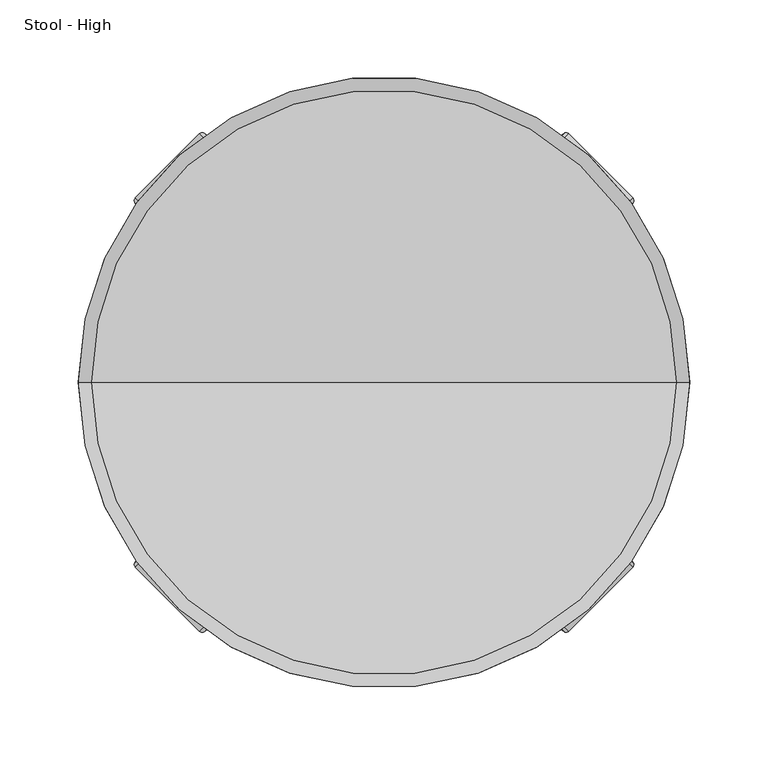
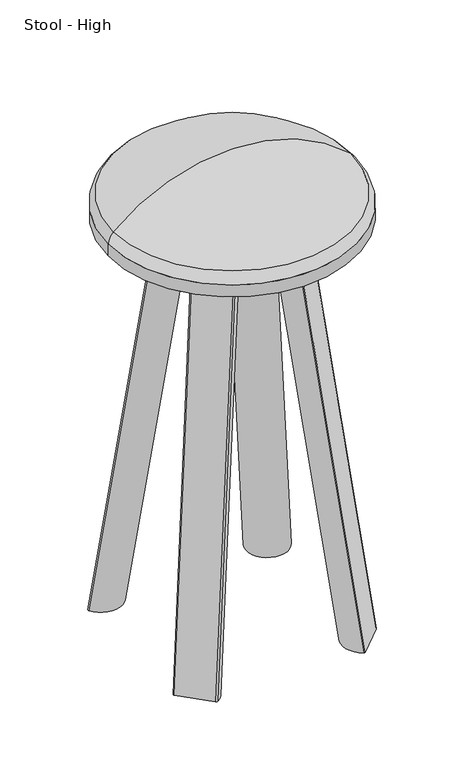
"""IFC4 building model written with IfcOpenShell, lengths in millimetres: furniture geometry, Stool - High."""

from ifc_helpers import new_model, si_unit, point, frame, origin, origin_2d, place, context, project, spatial, circle_curve, ellipse_curve, trimmed, segment, composite_curve, outline, extrude, source, transform, mapped, element, save
from ifc_brep_helpers import plane_surface, revolved_surface, extruded_surface, advanced_brep


def stool_high_a6d7e308(model_context):
    return source(origin(), model_context, "Body", "SolidModel", [
        advanced_brep(
        [(0.0, 0.0, 691.1578125), (-195.0, 0.0, 691.1578125), (195.0, 0.0, 691.1578125), (186.4951438, 0.0, 708.5953518), (-186.4951438, 0.0, 708.5953518), (0.0, 0.0, 781.1578125)],
        [
            (0, 1),
            (1, 2, circle_curve(frame((0.0, 0.0, 691.1578125), z_axis=(0.0, 0.0, -1.0), x_axis=(-1.0, 0.0, 0.0)), 195.0)),
            (2, 0),
            (2, 1, circle_curve(frame((0.0, 0.0, 691.1578125), z_axis=(0.0, 0.0, -1.0), x_axis=(-1.0, 0.0, 0.0)), 195.0)),
            (3, 4, circle_curve(frame((0.0, 0.0, 708.5953518), z_axis=(0.0, 0.0, 1.0), x_axis=(-1.0, 0.0, 0.0)), 186.4951438)),
            (4, 5, circle_curve(frame((0.0, 0.0, 505.2179602), z_axis=(0.0, 1.0, 0.0), x_axis=(1.0, 0.0, 0.0)), 275.9398523)),
            (5, 3, circle_curve(frame((0.0, 0.0, 505.2179602), z_axis=(0.0, 1.0, 0.0), x_axis=(-1.0, 0.0, 0.0)), 275.9398523)),
            (4, 3, circle_curve(frame((0.0, 0.0, 708.5953518), z_axis=(0.0, 0.0, 1.0), x_axis=(-1.0, 0.0, 0.0)), 186.4951438)),
            (1, 4, circle_curve(frame((-168.5904078, 0.0, 689.0698111), z_axis=(0.0, 1.0, 0.0), x_axis=(1.0, 0.0, 0.0)), 26.4920047)),
            (3, 2, circle_curve(frame((168.5904078, 0.0, 689.0698111), z_axis=(0.0, 1.0, 0.0), x_axis=(-1.0, 0.0, 0.0)), 26.4920047)),
        ],
        [
            plane_surface(frame((0.0, 0.0, 691.1578125), z_axis=(0.0, 0.0, -1.0), x_axis=(-1.0, 0.0, 0.0))),
            revolved_surface(trimmed(ellipse_curve(frame((0.0, 0.0, 505.2179602), z_axis=(0.0, -1.0, 0.0), x_axis=(1.0, 0.0, 0.0)), 275.9398523, 275.9398523), [point((0.0, 0.0, 781.1578125))], [point((-186.4951438, 0.0, 708.5953518))], True, "CARTESIAN"), (0.0, 0.0, 792.1578448), (0.0, 0.0, -1.0)),
            revolved_surface(trimmed(ellipse_curve(frame((-168.5904078, 0.0, 689.0698111), z_axis=(0.0, -1.0, 0.0), x_axis=(1.0, 0.0, 0.0)), 26.4920047, 26.4920047), [point((-186.4951438, 0.0, 708.5953518))], [point((-195.0, 0.0, 691.1578125))], True, "CARTESIAN"), (0.0, 0.0, 792.1578448), (0.0, 0.0, -1.0)),
        ],
        [
            (0, [[1, 2, 3]]),
            (0, [[-3, 4, -1]]),
            (1, [[5, 6, 7]]),
            (1, [[8, -7, -6]]),
            (2, [[-2, 9, -5, 10]]),
            (2, [[-4, -10, -8, -9]]),
        ],
    ),
        advanced_brep(
        [(-48.4270749, 89.2505212, 671.1578448), (-89.2505212, 48.4270749, 671.1578448), (-89.6751235, 45.4578434, 671.1578448), (-45.4578434, 89.6751235, 671.1578448), (-117.7446577, 158.6582602, 0.0), (-114.7754262, 159.0828625, 0.0), (-158.9927062, 114.8655824, 0.0), (-158.568104, 117.8348139, 0.0)],
        [
            (0, 1),
            (1, 2, circle_curve(frame((-87.4827542, 46.6593079, 671.1578448), z_axis=(0.0, 0.0, 1.0), x_axis=(0.0, -1.0, 0.0)), 2.5)),
            (2, 3, circle_curve(frame((-61.1113779, 61.1113779, 671.1578448), z_axis=(0.0, 0.0, 1.0), x_axis=(0.0, -1.0, 0.0)), 32.5717777)),
            (3, 0, circle_curve(frame((-46.6593079, 87.4827542, 671.1578448), z_axis=(0.0, 0.0, 1.0), x_axis=(0.0, -1.0, 0.0)), 2.5)),
            (4, 5, circle_curve(frame((-115.9768907, 156.8904933, 0.0), z_axis=(0.0, 0.0, -1.0), x_axis=(0.0, -1.0, 0.0)), 2.5)),
            (5, 6, circle_curve(frame((-130.4289607, 130.519117, 0.0), z_axis=(0.0, 0.0, -1.0), x_axis=(0.0, -1.0, 0.0)), 32.5717777)),
            (6, 7, circle_curve(frame((-156.800337, 116.067047, 0.0), z_axis=(0.0, 0.0, -1.0), x_axis=(0.0, -1.0, 0.0)), 2.5)),
            (7, 4),
            (7, 1),
            (0, 4),
            (6, 2),
            (5, 3),
        ],
        [
            plane_surface(frame((-68.2026407, 68.2026407, 671.1578448), z_axis=(0.0, 0.0, 1.0), x_axis=(-0.8769476996035752, 0.4805858218466267, 0.0))),
            plane_surface(frame((-137.5202235, 137.6103798, 0.0), z_axis=(0.0, 0.0, -1.0), x_axis=(-0.8769476996035752, 0.4805858218466267, 0.0))),
            plane_surface(frame((-138.1563808, 138.2465371, 0.0), z_axis=(-0.6996732277235616, 0.699673227723557, 0.1446193237910925), x_axis=(-0.7071067811865452, -0.7071067811865498, 0.0))),
            extruded_surface(trimmed(circle_curve(frame((-156.800337, 116.067047, 0.0), z_axis=(0.0, 0.0, 1.0), x_axis=(0.0, -1.0, 0.0)), 2.5), [point((-158.568104, 117.8348139, 0.0))], [point((-158.9927062, 114.8655824, 0.0))], True, "CARTESIAN"), (69.31758280000001, -69.4077391, 671.1578448), 678.2884446670085),
            extruded_surface(trimmed(circle_curve(frame((-130.4289607, 130.519117, 0.0), z_axis=(0.0, 0.0, 1.0), x_axis=(0.0, -1.0, 0.0)), 32.5717777), [point((-158.9927062, 114.8655824, 0.0))], [point((-114.7754262, 159.0828625, 0.0))], True, "CARTESIAN"), (69.3175828, -69.40773909999999, 671.1578448), 678.2884446670085),
            extruded_surface(trimmed(circle_curve(frame((-115.9768907, 156.8904933, 0.0), z_axis=(0.0, 0.0, 1.0), x_axis=(0.0, -1.0, 0.0)), 2.5), [point((-114.7754262, 159.0828625, 0.0))], [point((-117.7446577, 158.6582602, 0.0))], True, "CARTESIAN"), (69.3175828, -69.4077391, 671.1578448), 678.2884446670085),
        ],
        [
            (0, [[1, 2, 3, 4]]),
            (1, [[5, 6, 7, 8]]),
            (2, [[-8, 9, -1, 10]]),
            (3, [[-7, 11, -2, -9]]),
            (4, [[-6, 12, -3, -11]]),
            (5, [[-5, -10, -4, -12]]),
        ],
    ),
        advanced_brep(
        [(48.4270749, -89.2505212, 671.1578448), (89.2505212, -48.4270749, 671.1578448), (89.6751235, -45.4578434, 671.1578448), (45.4578434, -89.6751235, 671.1578448), (117.8149702, -158.6185727, 0.0), (114.8457387, -159.043175, 0.0), (159.0630187, -114.8258949, 0.0), (158.6384165, -117.7951264, 0.0)],
        [
            (0, 1),
            (1, 2, circle_curve(frame((87.4827542, -46.6593079, 671.1578448), z_axis=(0.0, 0.0, 1.0), x_axis=(0.0, 1.0, 0.0)), 2.5)),
            (2, 3, circle_curve(frame((61.1113779, -61.1113779, 671.1578448), z_axis=(0.0, 0.0, 1.0), x_axis=(0.0, 1.0, 0.0)), 32.5717777)),
            (3, 0, circle_curve(frame((46.6593079, -87.4827542, 671.1578448), z_axis=(0.0, 0.0, 1.0), x_axis=(0.0, 1.0, 0.0)), 2.5)),
            (4, 5, circle_curve(frame((116.0472032, -156.8508058, 0.0), z_axis=(0.0, 0.0, -1.0), x_axis=(0.0, 1.0, 0.0)), 2.5)),
            (5, 6, circle_curve(frame((130.4992732, -130.4794295, 0.0), z_axis=(0.0, 0.0, -1.0), x_axis=(0.0, 1.0, 0.0)), 32.5717777)),
            (6, 7, circle_curve(frame((156.8706495, -116.0273595, 0.0), z_axis=(0.0, 0.0, -1.0), x_axis=(0.0, 1.0, 0.0)), 2.5)),
            (7, 4),
            (7, 1),
            (0, 4),
            (6, 2),
            (5, 3),
        ],
        [
            plane_surface(frame((68.2026407, -68.2026407, 671.1578448), z_axis=(0.0, 0.0, 1.0000000000000002), x_axis=(0.8769476996035694, -0.4805858218466374, 0.0))),
            plane_surface(frame((137.590536, -137.5706923, 0.0), z_axis=(0.0, 0.0, -1.0000000000000002), x_axis=(0.8769476996035694, -0.4805858218466374, 0.0))),
            plane_surface(frame((138.2266933, -138.2068496, 0.0), z_axis=(0.699669996900361, -0.6996699969003652, 0.1446505820067503), x_axis=(0.7071067811865497, 0.7071067811865454, 0.0))),
            extruded_surface(trimmed(circle_curve(frame((156.8706495, -116.0273595, 0.0), z_axis=(0.0, 0.0, 1.0), x_axis=(0.0, 1.0, 0.0)), 2.5), [point((158.6384165, -117.7951264, 0.0))], [point((159.0630187, -114.8258949, 0.0))], True, "CARTESIAN"), (-69.38789530000001, 69.3680516, 671.1578448), 678.2915739072135),
            extruded_surface(trimmed(circle_curve(frame((130.4992732, -130.4794295, 0.0), z_axis=(0.0, 0.0, 1.0), x_axis=(0.0, 1.0, 0.0)), 32.5717777), [point((159.0630187, -114.8258949, 0.0))], [point((114.8457387, -159.043175, 0.0))], True, "CARTESIAN"), (-69.3878953, 69.3680516, 671.1578448), 678.2915739072135),
            extruded_surface(trimmed(circle_curve(frame((116.0472032, -156.8508058, 0.0), z_axis=(0.0, 0.0, 1.0), x_axis=(0.0, 1.0, 0.0)), 2.5), [point((114.8457387, -159.043175, 0.0))], [point((117.8149702, -158.6185727, 0.0))], True, "CARTESIAN"), (-69.3878953, 69.36805159999999, 671.1578448), 678.2915739072135),
        ],
        [
            (0, [[1, 2, 3, 4]]),
            (1, [[5, 6, 7, 8]]),
            (2, [[-8, 9, -1, 10]]),
            (3, [[-7, 11, -2, -9]]),
            (4, [[-6, 12, -3, -11]]),
            (5, [[-5, -10, -4, -12]]),
        ],
    ),
        advanced_brep(
        [(89.2505212, 48.4270749, 671.1578448), (48.4270749, 89.2505212, 671.1578448), (45.4578434, 89.6751235, 671.1578448), (89.6751235, 45.4578434, 671.1578448), (158.6384165, 117.8348139, 0.0), (159.0630187, 114.8655824, 0.0), (114.8457387, 159.0828625, 0.0), (117.8149702, 158.6582602, 0.0)],
        [
            (0, 1),
            (1, 2, circle_curve(frame((46.6593079, 87.4827542, 671.1578448), z_axis=(0.0, 0.0, 1.0), x_axis=(-1.0, 0.0, 0.0)), 2.5)),
            (2, 3, circle_curve(frame((61.1113779, 61.1113779, 671.1578448), z_axis=(0.0, 0.0, 1.0), x_axis=(-1.0, 0.0, 0.0)), 32.5717777)),
            (3, 0, circle_curve(frame((87.4827542, 46.6593079, 671.1578448), z_axis=(0.0, 0.0, 1.0), x_axis=(-1.0, 0.0, 0.0)), 2.5)),
            (4, 5, circle_curve(frame((156.8706495, 116.067047, 0.0), z_axis=(0.0, 0.0, -1.0), x_axis=(-1.0, 0.0, 0.0)), 2.5)),
            (5, 6, circle_curve(frame((130.4992732, 130.519117, 0.0), z_axis=(0.0, 0.0, -1.0), x_axis=(-1.0, 0.0, 0.0)), 32.5717777)),
            (6, 7, circle_curve(frame((116.0472032, 156.8904933, 0.0), z_axis=(0.0, 0.0, -1.0), x_axis=(-1.0, 0.0, 0.0)), 2.5)),
            (7, 4),
            (7, 1),
            (0, 4),
            (6, 2),
            (5, 3),
        ],
        [
            plane_surface(frame((68.2026407, 68.2026407, 671.1578448), z_axis=(0.0, 0.0, 1.0), x_axis=(0.4805858218466321, 0.8769476996035722, 0.0))),
            plane_surface(frame((137.590536, 137.6103798, 0.0), z_axis=(0.0, 0.0, -1.0), x_axis=(0.4805858218466321, 0.8769476996035722, 0.0))),
            plane_surface(frame((138.2266933, 138.2465371, 0.0), z_axis=(0.6996658090229181, 0.6996658090229246, 0.1446910894582038), x_axis=(-0.7071067811865508, 0.7071067811865442, 0.0))),
            extruded_surface(trimmed(circle_curve(frame((116.0472032, 156.8904933, 0.0), z_axis=(0.0, 0.0, 1.0), x_axis=(-1.0, 0.0, 0.0)), 2.5), [point((117.8149702, 158.6582602, 0.0))], [point((114.8457387, 159.0828625, 0.0))], True, "CARTESIAN"), (-69.3878953, -69.4077391, 671.1578448), 678.2956338483378),
            extruded_surface(trimmed(circle_curve(frame((130.4992732, 130.519117, 0.0), z_axis=(0.0, 0.0, 1.0), x_axis=(-1.0, 0.0, 0.0)), 32.5717777), [point((114.8457387, 159.0828625, 0.0))], [point((159.0630187, 114.8655824, 0.0))], True, "CARTESIAN"), (-69.3878953, -69.40773909999999, 671.1578448), 678.2956338483378),
            extruded_surface(trimmed(circle_curve(frame((156.8706495, 116.067047, 0.0), z_axis=(0.0, 0.0, 1.0), x_axis=(-1.0, 0.0, 0.0)), 2.5), [point((159.0630187, 114.8655824, 0.0))], [point((158.6384165, 117.8348139, 0.0))], True, "CARTESIAN"), (-69.38789530000001, -69.4077391, 671.1578448), 678.2956338483378),
        ],
        [
            (0, [[1, 2, 3, 4]]),
            (1, [[5, 6, 7, 8]]),
            (2, [[-8, 9, -1, 10]]),
            (3, [[-7, 11, -2, -9]]),
            (4, [[-6, 12, -3, -11]]),
            (5, [[-5, -10, -4, -12]]),
        ],
    ),
        advanced_brep(
        [(-89.2505212, -48.4270749, 671.1578448), (-48.4270749, -89.2505212, 671.1578448), (-45.4578434, -89.6751235, 671.1578448), (-89.6751235, -45.4578434, 671.1578448), (-158.568104, -117.7951264, 0.0), (-158.9927062, -114.8258949, 0.0), (-114.7754262, -159.043175, 0.0), (-117.7446577, -158.6185727, 0.0)],
        [
            (0, 1),
            (1, 2, circle_curve(frame((-46.6593079, -87.4827542, 671.1578448), z_axis=(0.0, 0.0, 1.0), x_axis=(1.0, 0.0, 0.0)), 2.5)),
            (2, 3, circle_curve(frame((-61.1113779, -61.1113779, 671.1578448), z_axis=(0.0, 0.0, 1.0), x_axis=(1.0, 0.0, 0.0)), 32.5717777)),
            (3, 0, circle_curve(frame((-87.4827542, -46.6593079, 671.1578448), z_axis=(0.0, 0.0, 1.0), x_axis=(1.0, 0.0, 0.0)), 2.5)),
            (4, 5, circle_curve(frame((-156.800337, -116.0273595, 0.0), z_axis=(0.0, 0.0, -1.0), x_axis=(1.0, 0.0, 0.0)), 2.5)),
            (5, 6, circle_curve(frame((-130.4289607, -130.4794295, 0.0), z_axis=(0.0, 0.0, -1.0), x_axis=(1.0, 0.0, 0.0)), 32.5717777)),
            (6, 7, circle_curve(frame((-115.9768907, -156.8508058, 0.0), z_axis=(0.0, 0.0, -1.0), x_axis=(1.0, 0.0, 0.0)), 2.5)),
            (7, 4),
            (7, 1),
            (0, 4),
            (6, 2),
            (5, 3),
        ],
        [
            plane_surface(frame((-68.2026407, -68.2026407, 671.1578448), z_axis=(0.0, 0.0, 1.0), x_axis=(-0.4805858218466318, -0.8769476996035724, 0.0))),
            plane_surface(frame((-137.5202235, -137.5706923, 0.0), z_axis=(0.0, 0.0, -1.0), x_axis=(-0.4805858218466318, -0.8769476996035724, 0.0))),
            plane_surface(frame((-138.1563808, -138.2068496, 0.0), z_axis=(-0.6996774136123112, -0.6996774136123088, 0.14457881505108877), x_axis=(0.7071067811865464, -0.7071067811865487, 0.0))),
            extruded_surface(trimmed(circle_curve(frame((-115.9768907, -156.8508058, 0.0), z_axis=(0.0, 0.0, 1.0), x_axis=(1.0, 0.0, 0.0)), 2.5), [point((-117.7446577, -158.6185727, 0.0))], [point((-114.7754262, -159.043175, 0.0))], True, "CARTESIAN"), (69.3175828, 69.36805159999999, 671.1578448), 678.2843846828526),
            extruded_surface(trimmed(circle_curve(frame((-130.4289607, -130.4794295, 0.0), z_axis=(0.0, 0.0, 1.0), x_axis=(1.0, 0.0, 0.0)), 32.5717777), [point((-114.7754262, -159.043175, 0.0))], [point((-158.9927062, -114.8258949, 0.0))], True, "CARTESIAN"), (69.3175828, 69.3680516, 671.1578448), 678.2843846828526),
            extruded_surface(trimmed(circle_curve(frame((-156.800337, -116.0273595, 0.0), z_axis=(0.0, 0.0, 1.0), x_axis=(1.0, 0.0, 0.0)), 2.5), [point((-158.9927062, -114.8258949, 0.0))], [point((-158.568104, -117.7951264, 0.0))], True, "CARTESIAN"), (69.31758280000001, 69.3680516, 671.1578448), 678.2843846828526),
        ],
        [
            (0, [[1, 2, 3, 4]]),
            (1, [[5, 6, 7, 8]]),
            (2, [[-8, 9, -1, 10]]),
            (3, [[-7, 11, -2, -9]]),
            (4, [[-6, 12, -3, -11]]),
            (5, [[-5, -10, -4, -12]]),
        ],
    ),
        extrude(outline(composite_curve([segment(trimmed(circle_curve(origin_2d(), 195.0), [point((-195.0, 0.0))], [point((195.0, 0.0))], False, "CARTESIAN"), True, "CONTINUOUS"), segment(trimmed(circle_curve(origin_2d(), 195.0), [point((195.0, 0.0))], [point((-195.0, 0.0))], False, "CARTESIAN"), True, "CONTINUOUS")], self_intersect=False)), frame((0.0, 0.0, 671.1578448), z_axis=(0.0, 0.0, 1.0), x_axis=(1.0, 0.0, 0.0)), (0.0, 0.0, 1.0), 19.9999677),
    ])


if __name__ == "__main__":
    model = new_model("IFC4")
    model_context = context("Model", 3, world=origin())
    ifc_project = project(units=[si_unit("LENGTHUNIT", "METRE", prefix="MILLI")], contexts=[model_context])
    site = spatial("IfcSite", under=ifc_project)
    building = spatial("IfcBuilding", under=site)
    placement = place(None, origin())
    stool_high_shape = stool_high_a6d7e308(model_context)
    element("IfcFurniture", 1, ObjectType="Stool - High", at=placement, inside=building, context=model_context, shape_type="MappedRepresentation", body=[
        mapped(stool_high_shape, transform((0.0, 0.0, 0.0), x_axis=(1.0, 0.0, 0.0), y_axis=(0.0, 1.0, 0.0), z_axis=(0.0, 0.0, 1.0))),
    ])
    save(model, "model.ifc")
